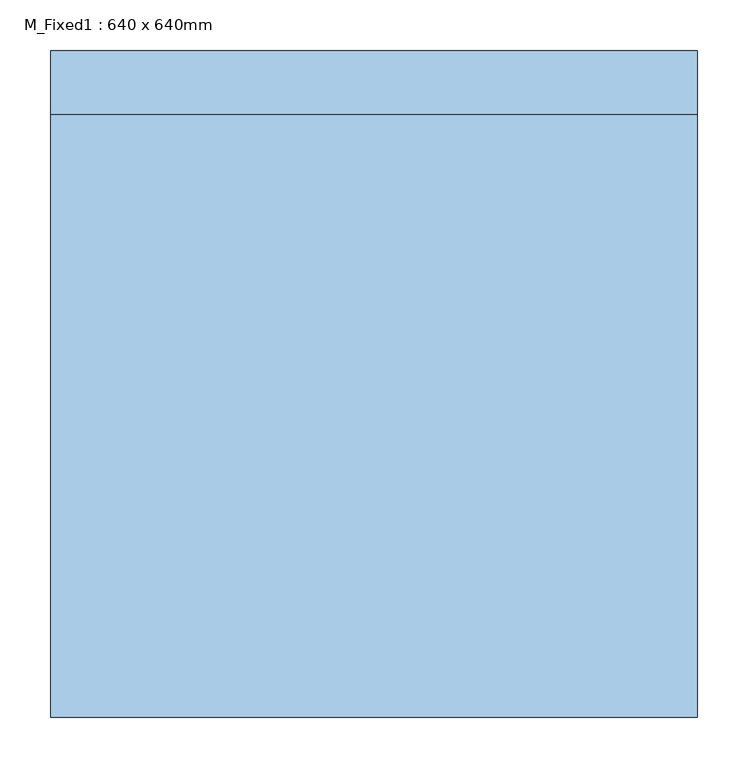
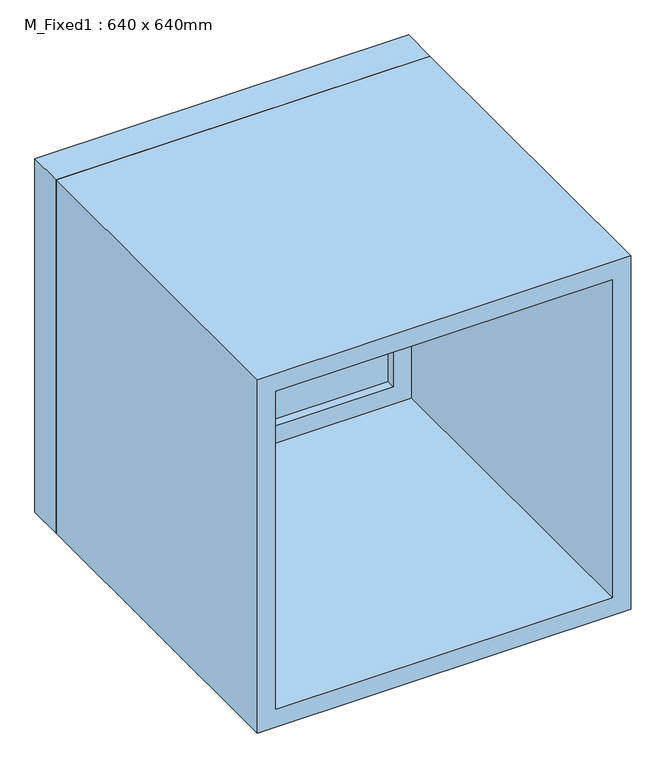
"""IFC4 building model written with IfcOpenShell, lengths in millimetres: window geometry, M_Fixed1 : 640 x 640mm."""

from ifc_helpers import new_model, si_unit, frame, origin, place, context, project, spatial, polyline, outline, extrude, source, transform, mapped, element, save


def m_fixed1_640_x_640mm_3254f9f2(model_context):
    return source(origin(), model_context, "Body", "SweptSolid", [
        extrude(outline(polyline([(-257.0, 307.6422757), (257.0, 307.6422757), (257.0, 295.6422757), (-257.0, 295.6422757), (-257.0, 307.6422757)])), frame((0.0, 0.0, 978.0), z_axis=(0.0, 0.0, 1.0), x_axis=(1.0, 0.0, 0.0)), (0.0, 0.0, 1.0), 514.0),
        extrude(outline(polyline([(1536.0, -301.0), (934.0, -301.0), (934.0, 301.0), (1536.0, 301.0), (1536.0, -301.0)]), holes=[polyline([(1492.0, -257.0), (1492.0, 257.0), (978.0, 257.0), (978.0, -257.0), (1492.0, -257.0)])]), frame((0.0, 279.6422757, 0.0), z_axis=(0.0, 1.0, 0.0), x_axis=(0.0, 0.0, 1.0)), (0.0, 0.0, 1.0), 44.0),
        extrude(outline(polyline([(1555.0, -320.0), (915.0, -320.0), (915.0, 320.0), (1555.0, 320.0), (1555.0, -320.0)]), holes=[polyline([(1536.0, -301.0), (1536.0, 301.0), (934.0, 301.0), (934.0, -301.0), (1536.0, -301.0)])]), frame((0.0, 279.6422757, 0.0), z_axis=(0.0, 1.0, 0.0), x_axis=(0.0, 0.0, 1.0)), (0.0, 0.0, 1.0), 63.0),
        extrude(outline(polyline([(1555.0, -320.0), (915.0, -320.0), (915.0, 320.0), (1555.0, 320.0), (1555.0, -320.0)]), holes=[polyline([(1523.0, -288.0), (1523.0, 288.0), (947.0, 288.0), (947.0, -288.0), (1523.0, -288.0)])]), frame((0.0, -316.6422757, 0.0), z_axis=(0.0, 1.0, 0.0), x_axis=(0.0, 0.0, 1.0)), (0.0, 0.0, 1.0), 596.2845513),
    ])


if __name__ == "__main__":
    model = new_model("IFC4")
    model_context = context("Model", 3, world=origin())
    ifc_project = project(units=[si_unit("LENGTHUNIT", "METRE", prefix="MILLI")], contexts=[model_context])
    site = spatial("IfcSite", under=ifc_project)
    building = spatial("IfcBuilding", under=site)
    placement = place(None, origin())
    m_fixed1_640_x_640mm_shape = m_fixed1_640_x_640mm_3254f9f2(model_context)
    element("IfcWindow", 1, ObjectType="M_Fixed1 : 640 x 640mm", at=placement, inside=building, context=model_context, shape_type="MappedRepresentation", body=[
        mapped(m_fixed1_640_x_640mm_shape, transform((0.0, 0.0, 0.0), x_axis=(1.0, 0.0, 0.0), y_axis=(0.0, 1.0, 0.0), z_axis=(0.0, 0.0, 1.0))),
    ])
    save(model, "model.ifc")
